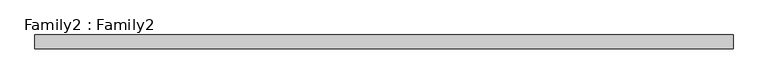
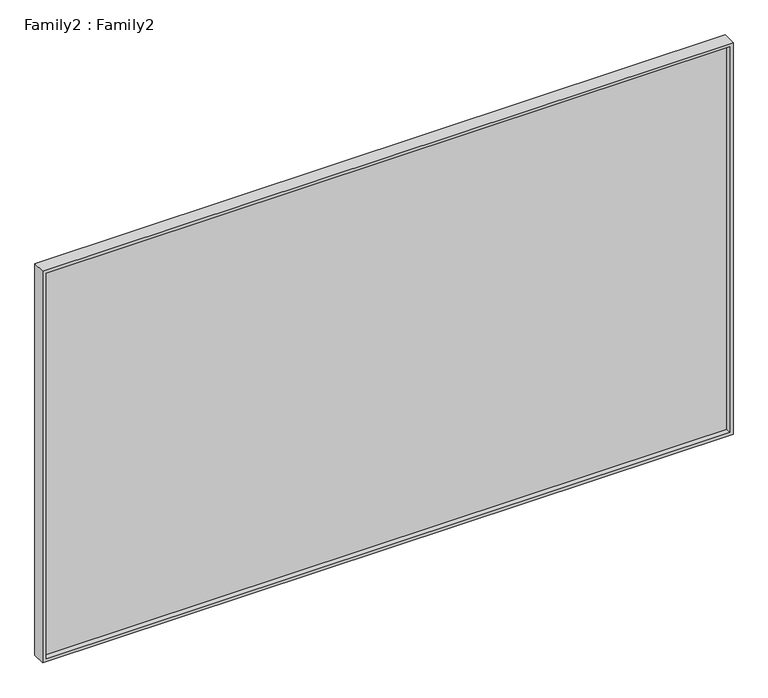
"""IFC4 building model written with IfcOpenShell, lengths in millimetres: plate geometry, Family2 : Family2."""

import ifcopenshell
import ifcopenshell.guid

model = None  # the IFC model being written
_history = None  # IfcOwnerHistory: only IFC2X3 demands one
_inside = {}  # id of a spatial element -> (the spatial element, [elements in it])
_under = {}  # id of a project, library or spatial element -> (it, [spatial elements below it])
_declared = {}  # id of a project -> (the project, [libraries it declares])
_typed = {}  # id of a type object -> (the type object, [elements of that type])
_made_of = {}  # id of a material, layer set ... -> (it, [elements and type objects made of it])


def new_model(schema):
    """Start an empty IFC model of exactly this schema.

    Asked for "IFC4X3", IfcOpenShell would pick the latest addendum, in which some entities
    have other attributes; the version numbers below select the first issue.
    IFC2X3 requires an IfcOwnerHistory on every rooted entity: one is made here for all.
    """
    global model, _history
    if schema == "IFC4X3":
        model = ifcopenshell.file(schema_version=(4, 3, 0, 0))
    else:
        model = ifcopenshell.file(schema=schema)
    _inside.clear()
    _under.clear()
    _declared.clear()
    _typed.clear()
    _made_of.clear()
    _history = None
    if model.schema == "IFC2X3":
        org = make("IfcOrganization", Name="unknown")
        user = make(
            "IfcPersonAndOrganization",
            ThePerson=make("IfcPerson", FamilyName="unknown"),
            TheOrganization=org,
        )
        app = make(
            "IfcApplication",
            ApplicationDeveloper=org,
            Version="unknown",
            ApplicationFullName="unknown",
            ApplicationIdentifier="unknown",
        )
        _history = make(
            "IfcOwnerHistory",
            OwningUser=user,
            OwningApplication=app,
            ChangeAction="ADDED",
            CreationDate=0,
        )
    return model


def make(cls, **values):
    """One entity of the class cls with the attributes given. An attribute that is None is left unset."""
    return model.create_entity(
        cls, **{name: value for name, value in values.items() if value is not None}
    )


def rooted(cls, **values):
    """An entity with a GlobalId (a new one), such as an element, a storey or a relation."""
    return make(cls, GlobalId=ifcopenshell.guid.new(), OwnerHistory=_history, **values)


def si_unit(unit_type, name, prefix=None):
    """IfcSIUnit, for example si_unit("LENGTHUNIT", "METRE", prefix="MILLI")."""
    return make("IfcSIUnit", UnitType=unit_type, Prefix=prefix, Name=name)


def assignment(units):
    """IfcUnitAssignment: the units of a project."""
    return None if units is None else make("IfcUnitAssignment", Units=units)


def point(xyz):
    """IfcCartesianPoint."""
    return None if xyz is None else make("IfcCartesianPoint", Coordinates=xyz)


def direction(xyz):
    """IfcDirection."""
    return None if xyz is None else make("IfcDirection", DirectionRatios=xyz)


def frame(location, z_axis=None, x_axis=None):
    """IfcAxis2Placement3D, a coordinate frame: its origin and axes. An axis left out is left unset."""
    return make(
        "IfcAxis2Placement3D",
        Location=point(location),
        Axis=direction(z_axis),
        RefDirection=direction(x_axis),
    )


def origin():
    """The frame at (0, 0, 0) with its axes left unset."""
    return frame((0.0, 0.0, 0.0))


def place(relative_to, where):
    """IfcLocalPlacement: puts the frame where relative to a parent placement (None: the world)."""
    return make(
        "IfcLocalPlacement", PlacementRelTo=relative_to, RelativePlacement=where
    )


def context(
    kind, dimensions, precision=None, world=None, true_north=None, identifier=None
):
    """IfcGeometricRepresentationContext, for example the 3D "Model" context."""
    return make(
        "IfcGeometricRepresentationContext",
        ContextIdentifier=identifier,
        ContextType=kind,
        CoordinateSpaceDimension=dimensions,
        Precision=precision,
        WorldCoordinateSystem=world,
        TrueNorth=true_north,
    )


def project(units=None, contexts=None):
    """IfcProject with its units and contexts."""
    return rooted(
        "IfcProject",
        Name="project",
        RepresentationContexts=contexts,
        UnitsInContext=assignment(units),
    )


def spatial(cls, under=None, at=None, **own):
    """A site, building, storey or space (cls), placed at a placement, below another one or the project."""
    s = rooted(cls, ObjectPlacement=at, **own)
    if under is not None:
        _under.setdefault(under.id(), (under, []))[1].append(s)
    return s


def polyline(points):
    """IfcPolyline through the points."""
    return make("IfcPolyline", Points=[point(p) for p in points])


def outline(outer, holes=None, kind="AREA"):
    """IfcArbitraryClosedProfileDef: a profile drawn as a closed curve; with holes, ...WithVoids."""
    if holes is None:
        return make("IfcArbitraryClosedProfileDef", ProfileType=kind, OuterCurve=outer)
    return make(
        "IfcArbitraryProfileDefWithVoids",
        ProfileType=kind,
        OuterCurve=outer,
        InnerCurves=holes,
    )


def extrude(swept, where, along, depth):
    """IfcExtrudedAreaSolid: the profile swept, set in the frame where, extruded along a direction by depth."""
    return make(
        "IfcExtrudedAreaSolid",
        SweptArea=swept,
        Position=where,
        ExtrudedDirection=direction(along),
        Depth=depth,
    )


def shape(context_of_items, identifier, shape_type, items):
    """IfcShapeRepresentation: the items that make up one representation, for example the "Body"."""
    return make(
        "IfcShapeRepresentation",
        ContextOfItems=context_of_items,
        RepresentationIdentifier=identifier,
        RepresentationType=shape_type,
        Items=items,
    )


def source(mapping_origin, context_of_items, identifier, shape_type, items):
    """IfcRepresentationMap: a shape defined once, which mapped items show again and again."""
    return make(
        "IfcRepresentationMap",
        MappingOrigin=mapping_origin,
        MappedRepresentation=shape(context_of_items, identifier, shape_type, items),
    )


def transform(
    local_origin,
    x_axis=None,
    y_axis=None,
    z_axis=None,
    scale=None,
    scale2=None,
    scale3=None,
    uniform=True,
):
    """IfcCartesianTransformationOperator3D, or its non-uniform kind. x_axis, y_axis, z_axis: its Axis1, 2, 3."""
    if uniform:
        return make(
            "IfcCartesianTransformationOperator3D",
            Axis1=direction(x_axis),
            Axis2=direction(y_axis),
            LocalOrigin=point(local_origin),
            Scale=scale,
            Axis3=direction(z_axis),
        )
    return make(
        "IfcCartesianTransformationOperator3DnonUniform",
        Axis1=direction(x_axis),
        Axis2=direction(y_axis),
        LocalOrigin=point(local_origin),
        Scale=scale,
        Axis3=direction(z_axis),
        Scale2=scale2,
        Scale3=scale3,
    )


def mapped(mapping_source, mapping_target):
    """IfcMappedItem: shows the shape of a source again, moved by a transform."""
    return make(
        "IfcMappedItem", MappingSource=mapping_source, MappingTarget=mapping_target
    )


def made_of(thing, what):
    """Note that an element or type object is made of a material, layer set ...; save() writes the relation."""
    if what is not None:
        _made_of.setdefault(what.id(), (what, []))[1].append(thing)
    return thing


def element(
    cls,
    number,
    at=None,
    inside=None,
    cuts=None,
    type_object=None,
    material=None,
    context=None,
    identifier="Body",
    shape_type=None,
    held_by="IfcProductDefinitionShape",
    body=None,
    shapes=None,
    **own,
):
    """One element of the class cls, such as IfcWall. Its Tag is "e" and its number.

    at: its placement. inside: the storey or other place that contains it. cuts: it is an
    opening in that element (IfcRelVoidsElement). A single representation is given by context,
    identifier, shape_type and body (its items); several are given by shapes. held_by: the class
    of the entity that holds the representations. save() writes the other relations.
    """
    e = rooted(cls, Tag="e%d" % number, ObjectPlacement=at, **own)
    if body is not None:
        shapes = [shape(context, identifier, shape_type, body)]
    if shapes is not None:
        e.Representation = make(held_by, Representations=shapes)
    if inside is not None:
        _inside.setdefault(inside.id(), (inside, []))[1].append(e)
    if cuts is not None:
        rooted(
            "IfcRelVoidsElement", RelatingBuildingElement=cuts, RelatedOpeningElement=e
        )
    if type_object is not None:
        _typed.setdefault(type_object.id(), (type_object, []))[1].append(e)
    return made_of(e, material)


def aggregate(whole, parts):
    """IfcRelAggregates: a whole, such as a stair, and the parts it consists of."""
    return rooted("IfcRelAggregates", RelatingObject=whole, RelatedObjects=parts)


def save(model, path):
    """Write the relations noted so far, then the file.

    IfcRelAggregates (storeys below a building ...), IfcRelContainedInSpatialStructure (elements
    in a storey), IfcRelDefinesByType, IfcRelAssociatesMaterial and IfcRelDeclares: one each for
    every whole, place, type object, material and project.
    """
    for whole, parts in _under.values():
        aggregate(whole, parts)
    for where, things in _inside.values():
        rooted(
            "IfcRelContainedInSpatialStructure",
            RelatedElements=things,
            RelatingStructure=where,
        )
    for kind, things in _typed.values():
        rooted("IfcRelDefinesByType", RelatedObjects=things, RelatingType=kind)
    for what, things in _made_of.values():
        rooted("IfcRelAssociatesMaterial", RelatedObjects=things, RelatingMaterial=what)
    for by, libraries in _declared.values():
        rooted("IfcRelDeclares", RelatingContext=by, RelatedDefinitions=libraries)
    model.write(path)


def family2_family2_c4a24c94(model_context):
    return source(origin(), model_context, "Body", "SweptSolid", [
        extrude(outline(polyline([(2450.0, -2042.5), (0.0, -2042.5), (0.0, 2042.5), (2450.0, 2042.5), (2450.0, -2042.5)]), holes=[polyline([(20.0, -2022.5), (2430.0, -2022.5), (2430.0, 2022.5), (20.0, 2022.5), (20.0, -2022.5)])]), frame((0.0, -40.0, 0.0), z_axis=(0.0, 1.0, 0.0), x_axis=(0.0, 0.0, 1.0)), (0.0, 0.0, 1.0), 80.0),
        extrude(outline(polyline([(2022.5, -10.0), (-2022.5, -10.0), (-2022.5, 10.0), (2022.5, 10.0), (2022.5, -10.0)])), frame((0.0, 0.0, 20.0), z_axis=(0.0, 0.0, 1.0), x_axis=(1.0, 0.0, 0.0)), (0.0, 0.0, 1.0), 2410.0),
    ])


if __name__ == "__main__":
    model = new_model("IFC4")
    model_context = context("Model", 3, world=origin())
    ifc_project = project(units=[si_unit("LENGTHUNIT", "METRE", prefix="MILLI")], contexts=[model_context])
    site = spatial("IfcSite", under=ifc_project)
    building = spatial("IfcBuilding", under=site)
    placement = place(None, origin())
    family2_family2_shape = family2_family2_c4a24c94(model_context)
    element("IfcPlate", 1, ObjectType="Family2 : Family2", at=placement, inside=building, context=model_context, shape_type="MappedRepresentation", body=[
        mapped(family2_family2_shape, transform((0.0, 0.0, 0.0), x_axis=(1.0, 0.0, 0.0), y_axis=(0.0, 1.0, 0.0), z_axis=(0.0, 0.0, 1.0))),
    ])
    save(model, "model.ifc")
